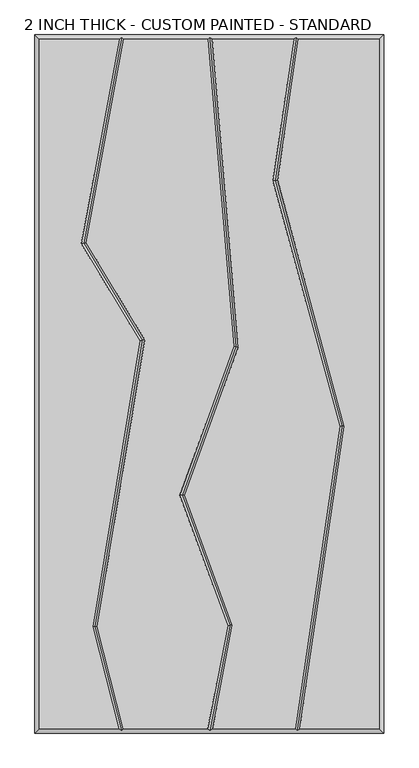
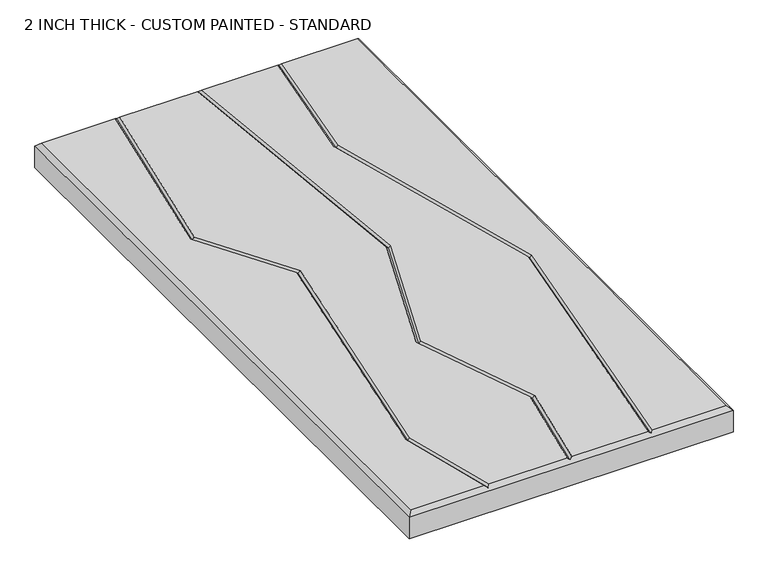
"""IFC4 building model written with IfcOpenShell, lengths in millimetres: proxy geometry, 2 INCH THICK - CUSTOM PAINTED - STANDARD."""

import ifcopenshell
import ifcopenshell.guid

model = None  # the IFC model being written
_history = None  # IfcOwnerHistory: only IFC2X3 demands one
_inside = {}  # id of a spatial element -> (the spatial element, [elements in it])
_under = {}  # id of a project, library or spatial element -> (it, [spatial elements below it])
_declared = {}  # id of a project -> (the project, [libraries it declares])
_typed = {}  # id of a type object -> (the type object, [elements of that type])
_made_of = {}  # id of a material, layer set ... -> (it, [elements and type objects made of it])


def new_model(schema):
    """Start an empty IFC model of exactly this schema.

    Asked for "IFC4X3", IfcOpenShell would pick the latest addendum, in which some entities
    have other attributes; the version numbers below select the first issue.
    IFC2X3 requires an IfcOwnerHistory on every rooted entity: one is made here for all.
    """
    global model, _history
    if schema == "IFC4X3":
        model = ifcopenshell.file(schema_version=(4, 3, 0, 0))
    else:
        model = ifcopenshell.file(schema=schema)
    _inside.clear()
    _under.clear()
    _declared.clear()
    _typed.clear()
    _made_of.clear()
    _history = None
    if model.schema == "IFC2X3":
        org = make("IfcOrganization", Name="unknown")
        user = make(
            "IfcPersonAndOrganization",
            ThePerson=make("IfcPerson", FamilyName="unknown"),
            TheOrganization=org,
        )
        app = make(
            "IfcApplication",
            ApplicationDeveloper=org,
            Version="unknown",
            ApplicationFullName="unknown",
            ApplicationIdentifier="unknown",
        )
        _history = make(
            "IfcOwnerHistory",
            OwningUser=user,
            OwningApplication=app,
            ChangeAction="ADDED",
            CreationDate=0,
        )
    return model


def make(cls, **values):
    """One entity of the class cls with the attributes given. An attribute that is None is left unset."""
    return model.create_entity(
        cls, **{name: value for name, value in values.items() if value is not None}
    )


def rooted(cls, **values):
    """An entity with a GlobalId (a new one), such as an element, a storey or a relation."""
    return make(cls, GlobalId=ifcopenshell.guid.new(), OwnerHistory=_history, **values)


def si_unit(unit_type, name, prefix=None):
    """IfcSIUnit, for example si_unit("LENGTHUNIT", "METRE", prefix="MILLI")."""
    return make("IfcSIUnit", UnitType=unit_type, Prefix=prefix, Name=name)


def assignment(units):
    """IfcUnitAssignment: the units of a project."""
    return None if units is None else make("IfcUnitAssignment", Units=units)


def point(xyz):
    """IfcCartesianPoint."""
    return None if xyz is None else make("IfcCartesianPoint", Coordinates=xyz)


def direction(xyz):
    """IfcDirection."""
    return None if xyz is None else make("IfcDirection", DirectionRatios=xyz)


def frame(location, z_axis=None, x_axis=None):
    """IfcAxis2Placement3D, a coordinate frame: its origin and axes. An axis left out is left unset."""
    return make(
        "IfcAxis2Placement3D",
        Location=point(location),
        Axis=direction(z_axis),
        RefDirection=direction(x_axis),
    )


def origin():
    """The frame at (0, 0, 0) with its axes left unset."""
    return frame((0.0, 0.0, 0.0))


def place(relative_to, where):
    """IfcLocalPlacement: puts the frame where relative to a parent placement (None: the world)."""
    return make(
        "IfcLocalPlacement", PlacementRelTo=relative_to, RelativePlacement=where
    )


def context(
    kind, dimensions, precision=None, world=None, true_north=None, identifier=None
):
    """IfcGeometricRepresentationContext, for example the 3D "Model" context."""
    return make(
        "IfcGeometricRepresentationContext",
        ContextIdentifier=identifier,
        ContextType=kind,
        CoordinateSpaceDimension=dimensions,
        Precision=precision,
        WorldCoordinateSystem=world,
        TrueNorth=true_north,
    )


def project(units=None, contexts=None):
    """IfcProject with its units and contexts."""
    return rooted(
        "IfcProject",
        Name="project",
        RepresentationContexts=contexts,
        UnitsInContext=assignment(units),
    )


def spatial(cls, under=None, at=None, **own):
    """A site, building, storey or space (cls), placed at a placement, below another one or the project."""
    s = rooted(cls, ObjectPlacement=at, **own)
    if under is not None:
        _under.setdefault(under.id(), (under, []))[1].append(s)
    return s


def faces_of(points, faces, orient=None, outer=None):
    """IfcFace entities. A face is a list of loops; a loop is a list of indices into points, from 0.

    orient and outer hold one flag for each loop. By default every Orientation is true, the
    first loop of a face is its IfcFaceOuterBound and the others are IfcFaceBound.
    """
    made = []
    for i, loops in enumerate(faces):
        bounds = []
        for j, loop in enumerate(loops):
            is_outer = j == 0 if outer is None else outer[i][j]
            bounds.append(
                make(
                    "IfcFaceOuterBound" if is_outer else "IfcFaceBound",
                    Bound=make("IfcPolyLoop", Polygon=[points[k] for k in loop]),
                    Orientation=True if orient is None else orient[i][j],
                )
            )
        made.append(make("IfcFace", Bounds=bounds))
    return made


def faceted_brep(points, faces, orient=None, outer=None, voids=None):
    """IfcFacetedBrep: a solid bounded by flat faces; with voids (closed shells), ...WithVoids."""
    shared = [point(p) for p in points]
    hull = make("IfcClosedShell", CfsFaces=faces_of(shared, faces, orient, outer))
    if voids is None:
        return make("IfcFacetedBrep", Outer=hull)
    return make(
        "IfcFacetedBrepWithVoids",
        Outer=hull,
        Voids=[
            make(cls, CfsFaces=faces_of(shared, fs, o, b)) for cls, fs, o, b in voids
        ],
    )


def shape(context_of_items, identifier, shape_type, items):
    """IfcShapeRepresentation: the items that make up one representation, for example the "Body"."""
    return make(
        "IfcShapeRepresentation",
        ContextOfItems=context_of_items,
        RepresentationIdentifier=identifier,
        RepresentationType=shape_type,
        Items=items,
    )


def source(mapping_origin, context_of_items, identifier, shape_type, items):
    """IfcRepresentationMap: a shape defined once, which mapped items show again and again."""
    return make(
        "IfcRepresentationMap",
        MappingOrigin=mapping_origin,
        MappedRepresentation=shape(context_of_items, identifier, shape_type, items),
    )


def transform(
    local_origin,
    x_axis=None,
    y_axis=None,
    z_axis=None,
    scale=None,
    scale2=None,
    scale3=None,
    uniform=True,
):
    """IfcCartesianTransformationOperator3D, or its non-uniform kind. x_axis, y_axis, z_axis: its Axis1, 2, 3."""
    if uniform:
        return make(
            "IfcCartesianTransformationOperator3D",
            Axis1=direction(x_axis),
            Axis2=direction(y_axis),
            LocalOrigin=point(local_origin),
            Scale=scale,
            Axis3=direction(z_axis),
        )
    return make(
        "IfcCartesianTransformationOperator3DnonUniform",
        Axis1=direction(x_axis),
        Axis2=direction(y_axis),
        LocalOrigin=point(local_origin),
        Scale=scale,
        Axis3=direction(z_axis),
        Scale2=scale2,
        Scale3=scale3,
    )


def mapped(mapping_source, mapping_target):
    """IfcMappedItem: shows the shape of a source again, moved by a transform."""
    return make(
        "IfcMappedItem", MappingSource=mapping_source, MappingTarget=mapping_target
    )


def made_of(thing, what):
    """Note that an element or type object is made of a material, layer set ...; save() writes the relation."""
    if what is not None:
        _made_of.setdefault(what.id(), (what, []))[1].append(thing)
    return thing


def element(
    cls,
    number,
    at=None,
    inside=None,
    cuts=None,
    type_object=None,
    material=None,
    context=None,
    identifier="Body",
    shape_type=None,
    held_by="IfcProductDefinitionShape",
    body=None,
    shapes=None,
    **own,
):
    """One element of the class cls, such as IfcWall. Its Tag is "e" and its number.

    at: its placement. inside: the storey or other place that contains it. cuts: it is an
    opening in that element (IfcRelVoidsElement). A single representation is given by context,
    identifier, shape_type and body (its items); several are given by shapes. held_by: the class
    of the entity that holds the representations. save() writes the other relations.
    """
    e = rooted(cls, Tag="e%d" % number, ObjectPlacement=at, **own)
    if body is not None:
        shapes = [shape(context, identifier, shape_type, body)]
    if shapes is not None:
        e.Representation = make(held_by, Representations=shapes)
    if inside is not None:
        _inside.setdefault(inside.id(), (inside, []))[1].append(e)
    if cuts is not None:
        rooted(
            "IfcRelVoidsElement", RelatingBuildingElement=cuts, RelatedOpeningElement=e
        )
    if type_object is not None:
        _typed.setdefault(type_object.id(), (type_object, []))[1].append(e)
    return made_of(e, material)


def aggregate(whole, parts):
    """IfcRelAggregates: a whole, such as a stair, and the parts it consists of."""
    return rooted("IfcRelAggregates", RelatingObject=whole, RelatedObjects=parts)


def save(model, path):
    """Write the relations noted so far, then the file.

    IfcRelAggregates (storeys below a building ...), IfcRelContainedInSpatialStructure (elements
    in a storey), IfcRelDefinesByType, IfcRelAssociatesMaterial and IfcRelDeclares: one each for
    every whole, place, type object, material and project.
    """
    for whole, parts in _under.values():
        aggregate(whole, parts)
    for where, things in _inside.values():
        rooted(
            "IfcRelContainedInSpatialStructure",
            RelatedElements=things,
            RelatingStructure=where,
        )
    for kind, things in _typed.values():
        rooted("IfcRelDefinesByType", RelatedObjects=things, RelatingType=kind)
    for what, things in _made_of.values():
        rooted("IfcRelAssociatesMaterial", RelatedObjects=things, RelatingMaterial=what)
    for by, libraries in _declared.values():
        rooted("IfcRelDeclares", RelatingContext=by, RelatedDefinitions=libraries)
    model.write(path)


def proxy_2_inch_thick_custom_painted_standard_7490ff1e(model_context):
    return source(origin(), model_context, "Body", "Brep", [
        faceted_brep([(-296.799, 601.599, 50.8), (-296.799, -601.599, 50.8), (-158.5803509, -601.599, 50.8), (-204.1076125, -423.9126768, 50.8), (-121.6761617, 75.6458719, 50.8), (-223.5207333, 244.8349563, 50.8), (-157.9388411, 601.599, 50.8), (296.799, -601.599, 50.8), (296.799, 601.599, 50.8), (155.2631596, 601.599, 50.8), (118.9316967, 355.4997887, 50.8), (235.610381, -73.3512983, 50.8), (157.6255242, -601.599, 50.8), (-195.9395558, -423.5559486, 50.8), (-150.3208924, -601.599, 50.8), (-2.5427902, -601.599, 50.8), (31.8547327, -421.752345, 50.8), (-51.4382369, -194.5897006, 50.8), (42.0141797, 65.5616213, 50.8), (-3.3378717, 601.599, 50.8), (-149.8037818, 601.599, 50.8), (-215.1040836, 246.3668022, 50.8), (-113.3024346, 77.2490229, 50.8), (40.1296065, -421.0786666, 50.8), (5.6032357, -601.599, 50.8), (149.5378056, -601.599, 50.8), (227.4508614, -73.8376585, 50.8), (110.7721771, 355.0134284, 50.8), (147.175441, 601.599, 50.8), (4.6917136, 601.599, 50.8), (50.1337385, 64.4981813, 50.8), (-42.9266108, -194.5617101, 50.8), (-304.8, 609.6, 0.0), (304.8, 609.6, 0.0), (304.8, -609.6, 0.0), (-304.8, -609.6, 0.0), (-304.8, -609.6, 42.799), (-304.8, 609.6, 42.799), (304.8, -609.6, 42.799), (304.8, 609.6, 42.799), (-153.1359224, 605.5995, 46.7995), (0.3384541, 605.5995, 46.7995), (151.8098914, 605.5995, 46.7995), (152.9910738, -605.5995, 46.7995), (0.765086, -605.5995, 46.7995), (-153.4256029, -605.5995, 46.7995), (-200.0235842, -423.7343127, 46.7995), (-117.4892982, 76.4474474, 46.7995), (-219.3124085, 245.6008793, 46.7995), (35.9921696, -421.4155058, 46.7995), (-47.1824239, -194.5757053, 46.7995), (46.0739591, 65.0299013, 46.7995), (231.5306212, -73.5944784, 46.7995), (114.8519369, 355.2566085, 46.7995)], [[[0, 1, 2, 3, 4, 5, 6]], [[7, 8, 9, 10, 11, 12]], [[13, 14, 15, 16, 17, 18, 19, 20, 21, 22]], [[23, 24, 25, 26, 27, 28, 29, 30, 31]], [[32, 33, 34, 35]], [[32, 35, 36, 37]], [[35, 34, 38, 36]], [[34, 33, 39, 38]], [[33, 32, 37, 39]], [[37, 0, 6, 40, 20, 19, 41, 29, 28, 42, 9, 8, 39]], [[0, 37, 36, 1]], [[1, 36, 38, 7, 12, 43, 25, 24, 44, 15, 14, 45, 2]], [[39, 8, 7, 38]], [[46, 3, 2, 45]], [[13, 46, 45, 14]], [[3, 46, 47, 4]], [[46, 13, 22, 47]], [[4, 47, 48, 5]], [[47, 22, 21, 48]], [[5, 48, 40, 6]], [[48, 21, 20, 40]], [[49, 16, 15, 44]], [[23, 49, 44, 24]], [[16, 49, 50, 17]], [[49, 23, 31, 50]], [[17, 50, 51, 18]], [[50, 31, 30, 51]], [[18, 51, 41, 19]], [[51, 30, 29, 41]], [[52, 26, 25, 43]], [[11, 52, 43, 12]], [[26, 52, 53, 27]], [[52, 11, 10, 53]], [[27, 53, 42, 28]], [[53, 10, 9, 42]]]),
    ])


if __name__ == "__main__":
    model = new_model("IFC4")
    model_context = context("Model", 3, world=origin())
    ifc_project = project(units=[si_unit("LENGTHUNIT", "METRE", prefix="MILLI")], contexts=[model_context])
    site = spatial("IfcSite", under=ifc_project)
    building = spatial("IfcBuilding", under=site)
    placement = place(None, origin())
    proxy_2_inch_thick_custom_painted_standard_shape = proxy_2_inch_thick_custom_painted_standard_7490ff1e(model_context)
    element("IfcBuildingElementProxy", 1, Name="2 INCH THICK - CUSTOM PAINTED - STANDARD", ObjectType="2 INCH THICK - CUSTOM PAINTED - STANDARD", at=placement, inside=building, context=model_context, shape_type="MappedRepresentation", body=[
        mapped(proxy_2_inch_thick_custom_painted_standard_shape, transform((0.0, 0.0, 0.0), x_axis=(1.0, 0.0, 0.0), y_axis=(0.0, 1.0, 0.0), z_axis=(0.0, 0.0, 1.0))),
    ])
    save(model, "model.ifc")
